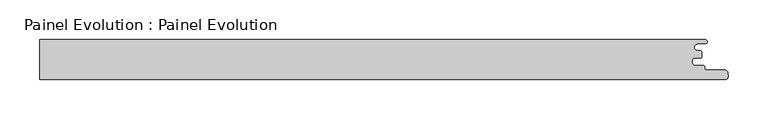
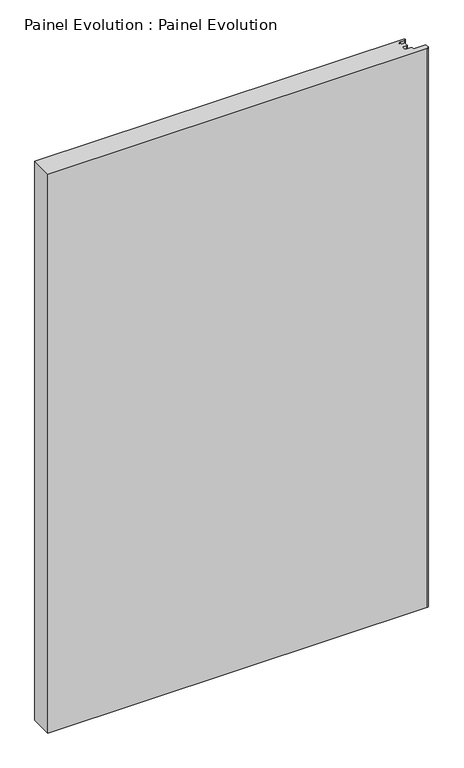
"""IFC4 building model written with IfcOpenShell, lengths in millimetres: proxy geometry, Painel Evolution : Painel Evolution."""

from ifc_helpers import new_model, si_unit, point, frame_2d, origin, origin_with_axes, place, context, project, spatial, polyline, circle_curve, trimmed, segment, composite_curve, outline, extrude, source, transform, mapped, element, save


def painel_evolution_painel_evolution_ba618eca(model_context):
    return source(origin(), model_context, "Body", "SweptSolid", [
        extrude(outline(composite_curve([segment(trimmed(circle_curve(frame_2d((511.313274, 9.7225035)), 1.5999999), [point((511.5911111, 11.2981958))], [point((512.912729, 9.7642596))], False, "CARTESIAN"), True, "CONTINUOUS"), segment(polyline([(512.912729, 9.7642596), (512.912729, 3.1436506)]), True, "CONTINUOUS"), segment(trimmed(circle_curve(frame_2d((511.8673147, 3.1436506)), 1.0454142), [point((512.912729, 3.1436506))], [point((511.8673147, 2.0982364))], False, "CARTESIAN"), True, "CONTINUOUS"), segment(polyline([(511.8673147, 2.0982364), (503.9512072, 2.0982364)]), True, "CONTINUOUS"), segment(trimmed(circle_curve(frame_2d((503.9512072, -0.2517635)), 2.3499999), [point((503.9512072, 2.0982364))], [point((501.6012073, -0.2517635))], True, "CARTESIAN"), True, "CONTINUOUS"), segment(polyline([(501.6012073, -0.2517635), (501.6012073, -4.6548179)]), True, "CONTINUOUS"), segment(trimmed(circle_curve(frame_2d((503.9512072, -4.6548179)), 2.3499999), [point((501.6012073, -4.6548179))], [point((503.9512072, -7.0048179))], True, "CARTESIAN"), True, "CONTINUOUS"), segment(polyline([(503.9512072, -7.0048179), (514.620698, -7.0048179)]), True, "CONTINUOUS"), segment(trimmed(circle_curve(frame_2d((514.620698, -9.4048179)), 2.4), [point((514.620698, -7.0048179))], [point((517.020698, -9.4048179))], False, "CARTESIAN"), True, "CONTINUOUS"), segment(polyline([(517.020698, -9.4048179), (517.020698, -11.4048176)]), True, "CONTINUOUS"), segment(trimmed(circle_curve(frame_2d((518.620698, -11.4048176)), 1.6), [point((517.020698, -11.4048176))], [point((518.620698, -13.0048176))], True, "CARTESIAN"), True, "CONTINUOUS"), segment(polyline([(518.620698, -13.0048176), (542.0114544, -13.0048176)]), True, "CONTINUOUS"), segment(trimmed(circle_curve(frame_2d((542.0114544, -16.7048175)), 3.6999999), [point((542.0114544, -13.0048176))], [point((545.6606899, -16.0940152))], False, "CARTESIAN"), True, "CONTINUOUS"), segment(polyline([(545.6606899, -16.0940152), (546.1021208, -21.1370337)]), True, "CONTINUOUS"), segment(trimmed(circle_curve(frame_2d((542.5514013, -21.4373369)), 3.563396), [point((546.1021208, -21.1370337))], [point((542.6236695, -25.0))], False, "CARTESIAN"), True, "CONTINUOUS"), segment(polyline([(542.6236695, -25.0), (-314.970357, -25.0), (-314.970357, 25.0), (517.4609375, 25.0)]), True, "CONTINUOUS"), segment(trimmed(circle_curve(frame_2d((517.4609375, 22.5)), 2.5), [point((517.4609375, 25.0))], [point((517.4609375, 20.0))], False, "CARTESIAN"), True, "CONTINUOUS"), segment(polyline([(517.4609375, 20.0), (508.1893843, 20.0)]), True, "CONTINUOUS"), segment(trimmed(circle_curve(frame_2d((508.1893843, 15.6490979)), 4.3509021), [point((508.1893843, 20.0))], [point((508.1893843, 11.2981958))], True, "CARTESIAN"), True, "CONTINUOUS"), segment(polyline([(508.1893843, 11.2981958), (511.5911111, 11.2981958)]), True, "CONTINUOUS")], self_intersect=False)), origin_with_axes(), (0.0, 0.0, 1.0), 1333.3333333),
    ])


if __name__ == "__main__":
    model = new_model("IFC4")
    model_context = context("Model", 3, world=origin())
    ifc_project = project(units=[si_unit("LENGTHUNIT", "METRE", prefix="MILLI")], contexts=[model_context])
    site = spatial("IfcSite", under=ifc_project)
    building = spatial("IfcBuilding", under=site)
    placement = place(None, origin())
    painel_evolution_painel_evolution_shape = painel_evolution_painel_evolution_ba618eca(model_context)
    element("IfcBuildingElementProxy", 1, Name="Painel Evolution : Painel Evolution", ObjectType="Painel Evolution : Painel Evolution", at=placement, inside=building, context=model_context, shape_type="MappedRepresentation", body=[
        mapped(painel_evolution_painel_evolution_shape, transform((0.0, 0.0, 0.0), x_axis=(1.0, 0.0, 0.0), y_axis=(0.0, 1.0, 0.0), z_axis=(0.0, 0.0, 1.0))),
    ])
    save(model, "model.ifc")
